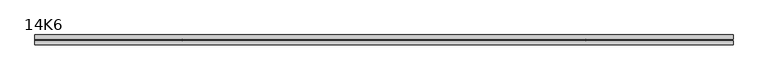
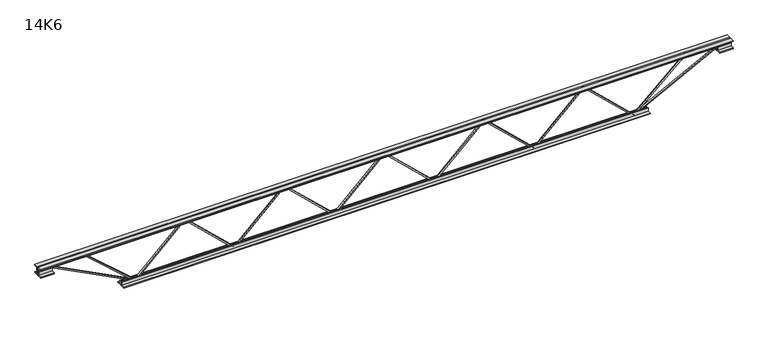
"""IFC4 building model written with IfcOpenShell, lengths in millimetres: beam geometry, 14K6."""

from ifc_helpers import new_model, si_unit, frame, origin, place, context, project, spatial, polyline, outline, extrude, source, transform, mapped, element, save


def beam_14k6_d78a0a68(model_context):
    return source(origin(), model_context, "Body", "SweptSolid", [
        extrude(outline(polyline([(-166.9, 367.6), (-176.4, 367.6), (-176.4, 372.6720078), (166.9, 733.9220078), (166.9, 736.4779922), (-176.4, 1097.7279922), (-176.4, 1102.8), (-166.9, 1102.8), (-166.9, 1101.5220078), (176.4, 740.2720078), (176.4, 730.1279922), (-166.9, 368.8779922), (-166.9, 367.6)])), frame((0.0, -4.75, 0.0), z_axis=(0.0, 1.0, 0.0), x_axis=(0.0, 0.0, 1.0)), (0.0, 0.0, 1.0), 9.5),
        extrude(outline(polyline([(-166.9, -367.6), (-176.4, -367.6), (-176.4, -362.5279922), (166.9, -1.2779922), (166.9, 1.2779922), (-176.4, 362.5279922), (-176.4, 367.6), (-166.9, 367.6), (-166.9, 366.3220078), (176.4, 5.0720078), (176.4, -5.0720078), (-166.9, -366.3220078), (-166.9, -367.6)])), frame((0.0, -4.75, 0.0), z_axis=(0.0, 1.0, 0.0), x_axis=(0.0, 0.0, 1.0)), (0.0, 0.0, 1.0), 9.5),
        extrude(outline(polyline([(-166.9, -1102.8), (-176.4, -1102.8), (-176.4, -1097.7279922), (166.9, -736.4779922), (166.9, -733.9220078), (-176.4, -372.6720078), (-176.4, -367.6), (-166.9, -367.6), (-166.9, -368.8779922), (176.4, -730.1279922), (176.4, -740.2720078), (-166.9, -1101.5220078), (-166.9, -1102.8)])), frame((0.0, -4.75, 0.0), z_axis=(0.0, 1.0, 0.0), x_axis=(0.0, 0.0, 1.0)), (0.0, 0.0, 1.0), 9.5),
        extrude(outline(polyline([(-166.9, 1102.8), (-176.4, 1102.8), (-176.4, 1107.8720078), (166.9, 1469.1220078), (166.9, 1471.6779922), (-176.4, 1832.9279922), (-176.4, 1838.0), (-166.9, 1838.0), (-166.9, 1836.7220078), (176.4, 1475.4720078), (176.4, 1465.3279922), (-166.9, 1104.0779922), (-166.9, 1102.8)])), frame((0.0, -4.75, 0.0), z_axis=(0.0, 1.0, 0.0), x_axis=(0.0, 0.0, 1.0)), (0.0, 0.0, 1.0), 9.5),
        extrude(outline(polyline([(-166.9, -1838.0), (-176.4, -1838.0), (-176.4, -1832.9279922), (166.9, -1471.6779922), (166.9, -1469.1220078), (-176.4, -1107.8720078), (-176.4, -1102.8), (-166.9, -1102.8), (-166.9, -1104.0779922), (176.4, -1465.3279922), (176.4, -1475.4720078), (-166.9, -1836.7220078), (-166.9, -1838.0)])), frame((0.0, -4.75, 0.0), z_axis=(0.0, 1.0, 0.0), x_axis=(0.0, 0.0, 1.0)), (0.0, 0.0, 1.0), 9.5),
        extrude(outline(polyline([(4.75, 178.0), (36.75, 178.0), (36.75, 171.5), (11.25, 171.5), (11.25, 146.0), (4.75, 146.0), (4.75, 178.0)])), frame((-2550.0, 0.0, 0.0), z_axis=(1.0, 0.0, 0.0), x_axis=(0.0, 1.0, 0.0)), (0.0, 0.0, 1.0), 5100.0),
        extrude(outline(polyline([(-4.75, 178.0), (-4.75, 146.0), (-11.25, 146.0), (-11.25, 171.5), (-36.75, 171.5), (-36.75, 178.0), (-4.75, 178.0)])), frame((-2550.0, 0.0, 0.0), z_axis=(1.0, 0.0, 0.0), x_axis=(0.0, 1.0, 0.0)), (0.0, 0.0, 1.0), 5100.0),
        extrude(outline(polyline([(-4.75, 114.5), (-36.75, 114.5), (-36.75, 121.0), (-11.25, 121.0), (-11.25, 146.0), (-4.75, 146.0), (-4.75, 114.5)])), frame((-2550.0, 0.0, 0.0), z_axis=(1.0, 0.0, 0.0), x_axis=(0.0, 1.0, 0.0)), (0.0, 0.0, 1.0), 100.0),
        extrude(outline(polyline([(36.75, 114.5), (4.75, 114.5), (4.75, 146.0), (11.25, 146.0), (11.25, 121.0), (36.75, 121.0), (36.75, 114.5)])), frame((-2550.0, 0.0, 0.0), z_axis=(1.0, 0.0, 0.0), x_axis=(0.0, 1.0, 0.0)), (0.0, 0.0, 1.0), 100.0),
        extrude(outline(polyline([(4.75, 114.5), (4.75, 146.0), (11.25, 146.0), (11.25, 121.0), (36.75, 121.0), (36.75, 114.5), (4.75, 114.5)])), frame((2450.0, 0.0, 0.0), z_axis=(1.0, 0.0, 0.0), x_axis=(0.0, 1.0, 0.0)), (0.0, 0.0, 1.0), 100.0),
        extrude(outline(polyline([(-4.75, 114.5), (-36.75, 114.5), (-36.75, 121.0), (-11.25, 121.0), (-11.25, 146.0), (-4.75, 146.0), (-4.75, 114.5)])), frame((2450.0, 0.0, 0.0), z_axis=(1.0, 0.0, 0.0), x_axis=(0.0, 1.0, 0.0)), (0.0, 0.0, 1.0), 100.0),
        extrude(outline(polyline([(4.75, -178.0), (4.75, -146.0), (11.25, -146.0), (11.25, -171.5), (36.75, -171.5), (36.75, -178.0), (4.75, -178.0)])), frame((-1938.0, 0.0, 0.0), z_axis=(1.0, 0.0, 0.0), x_axis=(0.0, 1.0, 0.0)), (0.0, 0.0, 1.0), 3876.0),
        extrude(outline(polyline([(-4.75, -178.0), (-36.75, -178.0), (-36.75, -171.5), (-11.25, -171.5), (-11.25, -146.0), (-4.75, -146.0), (-4.75, -178.0)])), frame((-1938.0, 0.0, 0.0), z_axis=(1.0, 0.0, 0.0), x_axis=(0.0, 1.0, 0.0)), (0.0, 0.0, 1.0), 3876.0),
        extrude(outline(polyline([(-175.8659422, -1840.1882256), (-167.4340578, -1835.8117744), (150.75, -2448.8407162), (150.75, -2550.0), (141.25, -2550.0), (141.25, -2451.1592838), (-175.8659422, -1840.1882256)])), frame((0.0, -4.75, 0.0), z_axis=(0.0, 1.0, 0.0), x_axis=(0.0, 0.0, 1.0)), (0.0, 0.0, 1.0), 9.5),
        extrude(outline(polyline([(163.7, -2225.5571429), (154.2, -2225.5571429), (154.2, -2214.6525029), (-175.2124666, -1841.1418675), (-168.0875334, -1834.8581325), (163.7, -2211.0617828), (163.7, -2225.5571429)])), frame((0.0, -4.75, 0.0), z_axis=(0.0, 1.0, 0.0), x_axis=(0.0, 0.0, 1.0)), (0.0, 0.0, 1.0), 9.5),
        extrude(outline(polyline([(0.0, -9.5), (0.0, 0.0), (689.5255778, 0.0), (689.5255778, -9.5), (0.0, -9.5)])), frame((2452.1882256, -4.75, 141.7840578), z_axis=(-0.46067906718340607, 0.0, 0.8875667845627319), x_axis=(-0.8875667845627319, 0.0, -0.46067906718340607)), (0.0, 0.0, 1.0), 9.5),
        extrude(outline(polyline([(0.0, -9.5), (0.0, 0.0), (513.6790996, 0.0), (513.6790996, -9.5), (0.0, -9.5)])), frame((2223.2887871, -4.75, 168.1165822), z_axis=(-0.6683160756975275, 0.0, 0.743877424690558), x_axis=(-0.743877424690558, 0.0, -0.6683160756975275)), (0.0, 0.0, 1.0), 9.5),
    ])


if __name__ == "__main__":
    model = new_model("IFC4")
    model_context = context("Model", 3, world=origin())
    ifc_project = project(units=[si_unit("LENGTHUNIT", "METRE", prefix="MILLI")], contexts=[model_context])
    site = spatial("IfcSite", under=ifc_project)
    building = spatial("IfcBuilding", under=site)
    placement = place(None, origin())
    beam_14k6_shape = beam_14k6_d78a0a68(model_context)
    element("IfcBeam", 1, ObjectType="14K6", at=placement, inside=building, context=model_context, shape_type="MappedRepresentation", body=[
        mapped(beam_14k6_shape, transform((0.0, 0.0, 0.0), x_axis=(1.0, 0.0, 0.0), y_axis=(0.0, 1.0, 0.0), z_axis=(0.0, 0.0, 1.0))),
    ])
    save(model, "model.ifc")
